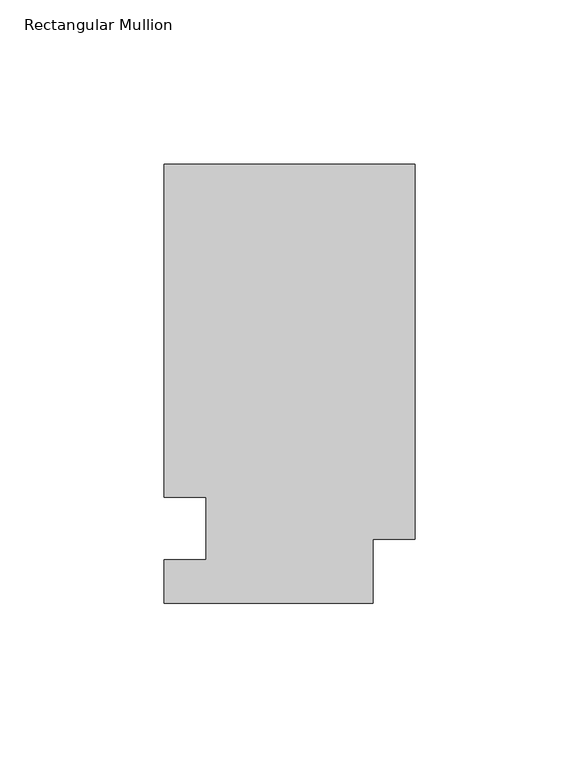
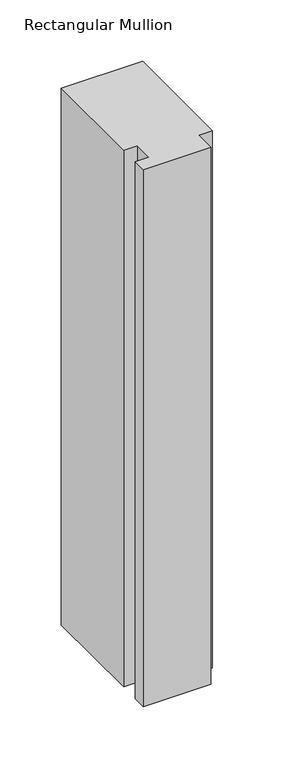
"""IFC4 building model written with IfcOpenShell, lengths in millimetres: member geometry, Rectangular Mullion."""

from ifc_helpers import new_model, si_unit, frame, origin, place, context, project, spatial, polyline, outline, extrude, source, transform, mapped, element, save


def rectangular_mullion_b1de1972(model_context):
    return source(origin(), model_context, "Body", "SweptSolid", [
        extrude(outline(polyline([(0.0, 133.4396938), (0.0, 19.5460937), (-12.7, 19.5460937), (-12.7, 0.0134937), (-76.2, 0.0134937), (-76.2, 13.1960937), (-63.5, 13.1960937), (-63.5, 32.2460938), (-76.2, 32.2460937), (-76.2, 133.4396938), (0.0, 133.4396938)])), frame((0.0, 0.0, -533.4), z_axis=(0.0, 0.0, 1.0), x_axis=(1.0, 0.0, 0.0)), (0.0, 0.0, 1.0), 533.4),
    ])


if __name__ == "__main__":
    model = new_model("IFC4")
    model_context = context("Model", 3, world=origin())
    ifc_project = project(units=[si_unit("LENGTHUNIT", "METRE", prefix="MILLI")], contexts=[model_context])
    site = spatial("IfcSite", under=ifc_project)
    building = spatial("IfcBuilding", under=site)
    placement = place(None, origin())
    rectangular_mullion_shape = rectangular_mullion_b1de1972(model_context)
    element("IfcMember", 1, ObjectType="Rectangular Mullion", at=placement, inside=building, context=model_context, shape_type="MappedRepresentation", body=[
        mapped(rectangular_mullion_shape, transform((0.0, 0.0, 0.0), x_axis=(1.0, 0.0, 0.0), y_axis=(0.0, 1.0, 0.0), z_axis=(0.0, 0.0, 1.0))),
    ])
    save(model, "model.ifc")
